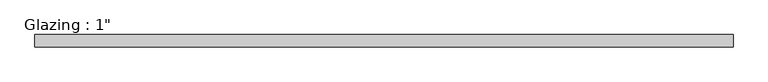
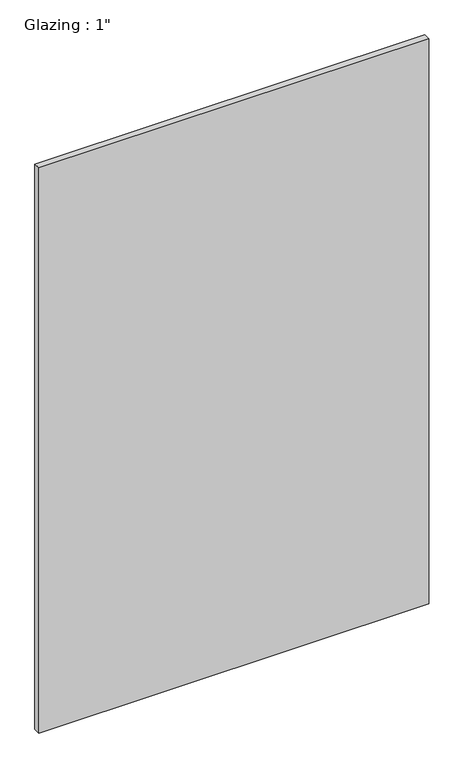
"""IFC4 building model written with IfcOpenShell, lengths in millimetres: plate geometry."""

import ifcopenshell
import ifcopenshell.guid

model = None  # the IFC model being written
_history = None  # IfcOwnerHistory: only IFC2X3 demands one
_inside = {}  # id of a spatial element -> (the spatial element, [elements in it])
_under = {}  # id of a project, library or spatial element -> (it, [spatial elements below it])
_declared = {}  # id of a project -> (the project, [libraries it declares])
_typed = {}  # id of a type object -> (the type object, [elements of that type])
_made_of = {}  # id of a material, layer set ... -> (it, [elements and type objects made of it])


def new_model(schema):
    """Start an empty IFC model of exactly this schema.

    Asked for "IFC4X3", IfcOpenShell would pick the latest addendum, in which some entities
    have other attributes; the version numbers below select the first issue.
    IFC2X3 requires an IfcOwnerHistory on every rooted entity: one is made here for all.
    """
    global model, _history
    if schema == "IFC4X3":
        model = ifcopenshell.file(schema_version=(4, 3, 0, 0))
    else:
        model = ifcopenshell.file(schema=schema)
    _inside.clear()
    _under.clear()
    _declared.clear()
    _typed.clear()
    _made_of.clear()
    _history = None
    if model.schema == "IFC2X3":
        org = make("IfcOrganization", Name="unknown")
        user = make(
            "IfcPersonAndOrganization",
            ThePerson=make("IfcPerson", FamilyName="unknown"),
            TheOrganization=org,
        )
        app = make(
            "IfcApplication",
            ApplicationDeveloper=org,
            Version="unknown",
            ApplicationFullName="unknown",
            ApplicationIdentifier="unknown",
        )
        _history = make(
            "IfcOwnerHistory",
            OwningUser=user,
            OwningApplication=app,
            ChangeAction="ADDED",
            CreationDate=0,
        )
    return model


def make(cls, **values):
    """One entity of the class cls with the attributes given. An attribute that is None is left unset."""
    return model.create_entity(
        cls, **{name: value for name, value in values.items() if value is not None}
    )


def rooted(cls, **values):
    """An entity with a GlobalId (a new one), such as an element, a storey or a relation."""
    return make(cls, GlobalId=ifcopenshell.guid.new(), OwnerHistory=_history, **values)


def si_unit(unit_type, name, prefix=None):
    """IfcSIUnit, for example si_unit("LENGTHUNIT", "METRE", prefix="MILLI")."""
    return make("IfcSIUnit", UnitType=unit_type, Prefix=prefix, Name=name)


def assignment(units):
    """IfcUnitAssignment: the units of a project."""
    return None if units is None else make("IfcUnitAssignment", Units=units)


def point(xyz):
    """IfcCartesianPoint."""
    return None if xyz is None else make("IfcCartesianPoint", Coordinates=xyz)


def direction(xyz):
    """IfcDirection."""
    return None if xyz is None else make("IfcDirection", DirectionRatios=xyz)


def frame(location, z_axis=None, x_axis=None):
    """IfcAxis2Placement3D, a coordinate frame: its origin and axes. An axis left out is left unset."""
    return make(
        "IfcAxis2Placement3D",
        Location=point(location),
        Axis=direction(z_axis),
        RefDirection=direction(x_axis),
    )


def origin():
    """The frame at (0, 0, 0) with its axes left unset."""
    return frame((0.0, 0.0, 0.0))


def origin_with_axes():
    """The frame at (0, 0, 0) with the z axis (0, 0, 1) and the x axis (1, 0, 0) written out."""
    return frame((0.0, 0.0, 0.0), z_axis=(0.0, 0.0, 1.0), x_axis=(1.0, 0.0, 0.0))


def place(relative_to, where):
    """IfcLocalPlacement: puts the frame where relative to a parent placement (None: the world)."""
    return make(
        "IfcLocalPlacement", PlacementRelTo=relative_to, RelativePlacement=where
    )


def context(
    kind, dimensions, precision=None, world=None, true_north=None, identifier=None
):
    """IfcGeometricRepresentationContext, for example the 3D "Model" context."""
    return make(
        "IfcGeometricRepresentationContext",
        ContextIdentifier=identifier,
        ContextType=kind,
        CoordinateSpaceDimension=dimensions,
        Precision=precision,
        WorldCoordinateSystem=world,
        TrueNorth=true_north,
    )


def project(units=None, contexts=None):
    """IfcProject with its units and contexts."""
    return rooted(
        "IfcProject",
        Name="project",
        RepresentationContexts=contexts,
        UnitsInContext=assignment(units),
    )


def spatial(cls, under=None, at=None, **own):
    """A site, building, storey or space (cls), placed at a placement, below another one or the project."""
    s = rooted(cls, ObjectPlacement=at, **own)
    if under is not None:
        _under.setdefault(under.id(), (under, []))[1].append(s)
    return s


def polyline(points):
    """IfcPolyline through the points."""
    return make("IfcPolyline", Points=[point(p) for p in points])


def outline(outer, holes=None, kind="AREA"):
    """IfcArbitraryClosedProfileDef: a profile drawn as a closed curve; with holes, ...WithVoids."""
    if holes is None:
        return make("IfcArbitraryClosedProfileDef", ProfileType=kind, OuterCurve=outer)
    return make(
        "IfcArbitraryProfileDefWithVoids",
        ProfileType=kind,
        OuterCurve=outer,
        InnerCurves=holes,
    )


def extrude(swept, where, along, depth):
    """IfcExtrudedAreaSolid: the profile swept, set in the frame where, extruded along a direction by depth."""
    return make(
        "IfcExtrudedAreaSolid",
        SweptArea=swept,
        Position=where,
        ExtrudedDirection=direction(along),
        Depth=depth,
    )


def shape(context_of_items, identifier, shape_type, items):
    """IfcShapeRepresentation: the items that make up one representation, for example the "Body"."""
    return make(
        "IfcShapeRepresentation",
        ContextOfItems=context_of_items,
        RepresentationIdentifier=identifier,
        RepresentationType=shape_type,
        Items=items,
    )


def source(mapping_origin, context_of_items, identifier, shape_type, items):
    """IfcRepresentationMap: a shape defined once, which mapped items show again and again."""
    return make(
        "IfcRepresentationMap",
        MappingOrigin=mapping_origin,
        MappedRepresentation=shape(context_of_items, identifier, shape_type, items),
    )


def transform(
    local_origin,
    x_axis=None,
    y_axis=None,
    z_axis=None,
    scale=None,
    scale2=None,
    scale3=None,
    uniform=True,
):
    """IfcCartesianTransformationOperator3D, or its non-uniform kind. x_axis, y_axis, z_axis: its Axis1, 2, 3."""
    if uniform:
        return make(
            "IfcCartesianTransformationOperator3D",
            Axis1=direction(x_axis),
            Axis2=direction(y_axis),
            LocalOrigin=point(local_origin),
            Scale=scale,
            Axis3=direction(z_axis),
        )
    return make(
        "IfcCartesianTransformationOperator3DnonUniform",
        Axis1=direction(x_axis),
        Axis2=direction(y_axis),
        LocalOrigin=point(local_origin),
        Scale=scale,
        Axis3=direction(z_axis),
        Scale2=scale2,
        Scale3=scale3,
    )


def mapped(mapping_source, mapping_target):
    """IfcMappedItem: shows the shape of a source again, moved by a transform."""
    return make(
        "IfcMappedItem", MappingSource=mapping_source, MappingTarget=mapping_target
    )


def made_of(thing, what):
    """Note that an element or type object is made of a material, layer set ...; save() writes the relation."""
    if what is not None:
        _made_of.setdefault(what.id(), (what, []))[1].append(thing)
    return thing


def element(
    cls,
    number,
    at=None,
    inside=None,
    cuts=None,
    type_object=None,
    material=None,
    context=None,
    identifier="Body",
    shape_type=None,
    held_by="IfcProductDefinitionShape",
    body=None,
    shapes=None,
    **own,
):
    """One element of the class cls, such as IfcWall. Its Tag is "e" and its number.

    at: its placement. inside: the storey or other place that contains it. cuts: it is an
    opening in that element (IfcRelVoidsElement). A single representation is given by context,
    identifier, shape_type and body (its items); several are given by shapes. held_by: the class
    of the entity that holds the representations. save() writes the other relations.
    """
    e = rooted(cls, Tag="e%d" % number, ObjectPlacement=at, **own)
    if body is not None:
        shapes = [shape(context, identifier, shape_type, body)]
    if shapes is not None:
        e.Representation = make(held_by, Representations=shapes)
    if inside is not None:
        _inside.setdefault(inside.id(), (inside, []))[1].append(e)
    if cuts is not None:
        rooted(
            "IfcRelVoidsElement", RelatingBuildingElement=cuts, RelatedOpeningElement=e
        )
    if type_object is not None:
        _typed.setdefault(type_object.id(), (type_object, []))[1].append(e)
    return made_of(e, material)


def aggregate(whole, parts):
    """IfcRelAggregates: a whole, such as a stair, and the parts it consists of."""
    return rooted("IfcRelAggregates", RelatingObject=whole, RelatedObjects=parts)


def save(model, path):
    """Write the relations noted so far, then the file.

    IfcRelAggregates (storeys below a building ...), IfcRelContainedInSpatialStructure (elements
    in a storey), IfcRelDefinesByType, IfcRelAssociatesMaterial and IfcRelDeclares: one each for
    every whole, place, type object, material and project.
    """
    for whole, parts in _under.values():
        aggregate(whole, parts)
    for where, things in _inside.values():
        rooted(
            "IfcRelContainedInSpatialStructure",
            RelatedElements=things,
            RelatingStructure=where,
        )
    for kind, things in _typed.values():
        rooted("IfcRelDefinesByType", RelatedObjects=things, RelatingType=kind)
    for what, things in _made_of.values():
        rooted("IfcRelAssociatesMaterial", RelatedObjects=things, RelatingMaterial=what)
    for by, libraries in _declared.values():
        rooted("IfcRelDeclares", RelatingContext=by, RelatedDefinitions=libraries)
    model.write(path)


def plate_3c4013d6(model_context):
    return source(origin(), model_context, "Body", "SweptSolid", [
        extrude(outline(polyline([(710.5540109, -12.7), (-710.5540109, -12.7), (-710.5540109, 12.7), (710.5540109, 12.7), (710.5540109, -12.7)])), origin_with_axes(), (0.0, 0.0, 1.0), 2177.9424222),
    ])


if __name__ == "__main__":
    model = new_model("IFC4")
    model_context = context("Model", 3, world=origin())
    ifc_project = project(units=[si_unit("LENGTHUNIT", "METRE", prefix="MILLI")], contexts=[model_context])
    site = spatial("IfcSite", under=ifc_project)
    building = spatial("IfcBuilding", under=site)
    placement = place(None, origin())
    plate_shape = plate_3c4013d6(model_context)
    element("IfcPlate", 1, ObjectType="Glazing : 1\"", at=placement, inside=building, context=model_context, shape_type="MappedRepresentation", body=[
        mapped(plate_shape, transform((0.0, 0.0, 0.0), x_axis=(1.0, 0.0, 0.0), y_axis=(0.0, 1.0, 0.0), z_axis=(0.0, 0.0, 1.0))),
    ])
    save(model, "model.ifc")
